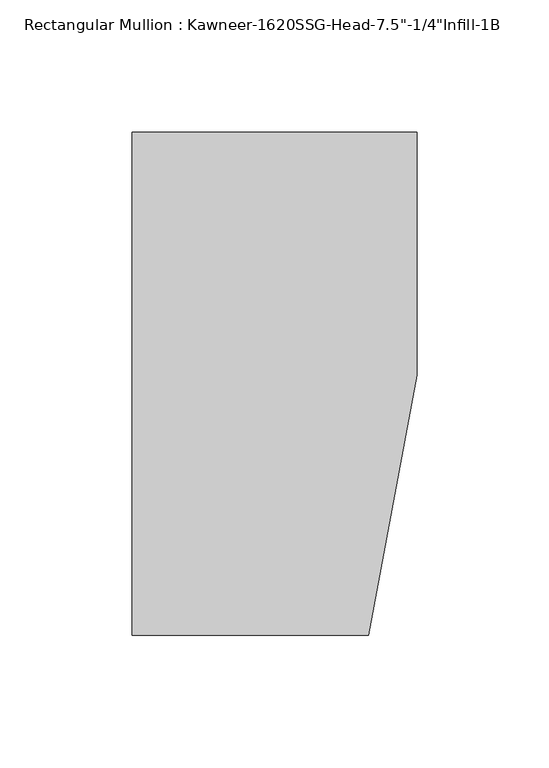
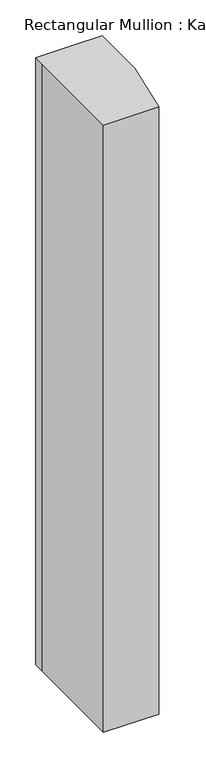
"""IFC4 building model written with IfcOpenShell, lengths in millimetres: member geometry."""

from ifc_helpers import new_model, si_unit, frame, origin, place, context, project, spatial, polyline, outline, extrude, source, transform, mapped, element, save


def member_b3c6dc97(model_context):
    return source(origin(), model_context, "Body", "SweptSolid", [
        extrude(outline(polyline([(-107.95, 10.3845466), (-107.95, 28.575), (-44.1519366, 28.575), (0.0, 28.575), (0.0, -63.5), (-18.3538271, -161.925), (-107.95, -161.925), (-107.95, 10.3845466)])), frame((0.0, 0.0, -1040.8758793), z_axis=(0.0, 0.0, 1.0), x_axis=(1.0, 0.0, 0.0)), (0.0, 0.0, 1.0), 1040.8758793),
    ])


if __name__ == "__main__":
    model = new_model("IFC4")
    model_context = context("Model", 3, world=origin())
    ifc_project = project(units=[si_unit("LENGTHUNIT", "METRE", prefix="MILLI")], contexts=[model_context])
    site = spatial("IfcSite", under=ifc_project)
    building = spatial("IfcBuilding", under=site)
    placement = place(None, origin())
    member_shape = member_b3c6dc97(model_context)
    element("IfcMember", 1, ObjectType="Rectangular Mullion : Kawneer-1620SSG-Head-7.5\"-1/4\"Infill-1B", at=placement, inside=building, context=model_context, shape_type="MappedRepresentation", body=[
        mapped(member_shape, transform((0.0, 0.0, 0.0), x_axis=(1.0, 0.0, 0.0), y_axis=(0.0, 1.0, 0.0), z_axis=(0.0, 0.0, 1.0))),
    ])
    save(model, "model.ifc")
